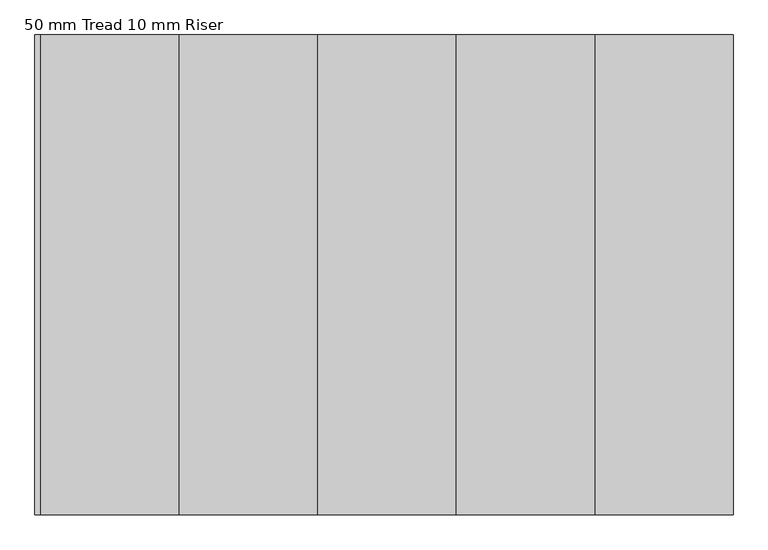
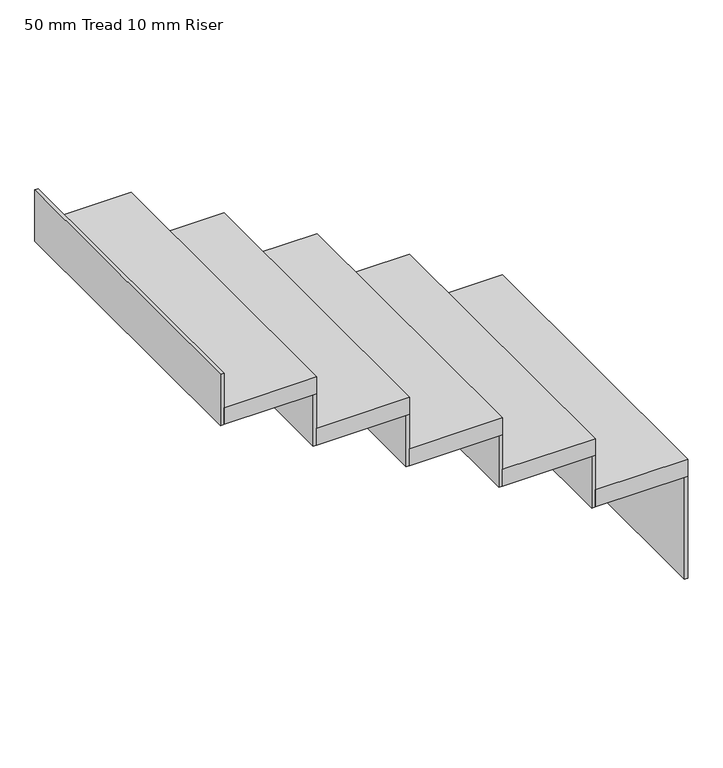
"""IFC4 building model written with IfcOpenShell, lengths in millimetres: stair flight geometry, 50 mm Tread 10 mm Riser."""

from ifc_helpers import new_model, si_unit, frame, origin, place, context, project, spatial, polyline, outline, extrude, source, transform, mapped, element, save


def stair_flight_50_mm_tread_10_mm_riser_7fd12217(model_context):
    return source(origin(), model_context, "Body", "SweptSolid", [
        extrude(outline(polyline([(5195.1809005, -1671.8408405), (5195.1809005, -771.8408405), (5455.1809005, -771.8408405), (5455.1809005, -1671.8408405), (5195.1809005, -1671.8408405)])), frame((0.0, 0.0, 2230.0), z_axis=(0.0, 0.0, 1.0), x_axis=(1.0, 0.0, 0.0)), (0.0, 0.0, 1.0), 50.0),
        extrude(outline(polyline([(5445.1809005, -771.8408405), (5455.1809005, -771.8408405), (5455.1809005, -1671.8408405), (5445.1809005, -1671.8408405), (5445.1809005, -771.8408405)])), frame((0.0, 0.0, 1928.0), z_axis=(0.0, 0.0, 1.0), x_axis=(1.0, 0.0, 0.0)), (0.0, 0.0, 1.0), 302.0),
        extrude(outline(polyline([(4935.1809005, -1671.8408405), (4935.1809005, -771.8408405), (5195.1809005, -771.8408405), (5195.1809005, -1671.8408405), (4935.1809005, -1671.8408405)])), frame((0.0, 0.0, 2382.0), z_axis=(0.0, 0.0, 1.0), x_axis=(1.0, 0.0, 0.0)), (0.0, 0.0, 1.0), 50.0),
        extrude(outline(polyline([(5185.1809005, -771.8408405), (5195.1809005, -771.8408405), (5195.1809005, -1671.8408405), (5185.1809005, -1671.8408405), (5185.1809005, -771.8408405)])), frame((0.0, 0.0, 2230.0), z_axis=(0.0, 0.0, 1.0), x_axis=(1.0, 0.0, 0.0)), (0.0, 0.0, 1.0), 152.0),
        extrude(outline(polyline([(4675.1809005, -1671.8408405), (4675.1809005, -771.8408405), (4935.1809005, -771.8408405), (4935.1809005, -1671.8408405), (4675.1809005, -1671.8408405)])), frame((0.0, 0.0, 2534.0), z_axis=(0.0, 0.0, 1.0), x_axis=(1.0, 0.0, 0.0)), (0.0, 0.0, 1.0), 50.0),
        extrude(outline(polyline([(4925.1809005, -771.8408405), (4935.1809005, -771.8408405), (4935.1809005, -1671.8408405), (4925.1809005, -1671.8408405), (4925.1809005, -771.8408405)])), frame((0.0, 0.0, 2382.0), z_axis=(0.0, 0.0, 1.0), x_axis=(1.0, 0.0, 0.0)), (0.0, 0.0, 1.0), 152.0),
        extrude(outline(polyline([(4415.1809005, -1671.8408405), (4415.1809005, -771.8408405), (4675.1809005, -771.8408405), (4675.1809005, -1671.8408405), (4415.1809005, -1671.8408405)])), frame((0.0, 0.0, 2686.0), z_axis=(0.0, 0.0, 1.0), x_axis=(1.0, 0.0, 0.0)), (0.0, 0.0, 1.0), 50.0),
        extrude(outline(polyline([(4665.1809005, -771.8408405), (4675.1809005, -771.8408405), (4675.1809005, -1671.8408405), (4665.1809005, -1671.8408405), (4665.1809005, -771.8408405)])), frame((0.0, 0.0, 2534.0), z_axis=(0.0, 0.0, 1.0), x_axis=(1.0, 0.0, 0.0)), (0.0, 0.0, 1.0), 152.0),
        extrude(outline(polyline([(4155.1809005, -1671.8408405), (4155.1809005, -771.8408405), (4415.1809005, -771.8408405), (4415.1809005, -1671.8408405), (4155.1809005, -1671.8408405)])), frame((0.0, 0.0, 2838.0), z_axis=(0.0, 0.0, 1.0), x_axis=(1.0, 0.0, 0.0)), (0.0, 0.0, 1.0), 50.0),
        extrude(outline(polyline([(4405.1809005, -771.8408405), (4415.1809005, -771.8408405), (4415.1809005, -1671.8408405), (4405.1809005, -1671.8408405), (4405.1809005, -771.8408405)])), frame((0.0, 0.0, 2686.0), z_axis=(0.0, 0.0, 1.0), x_axis=(1.0, 0.0, 0.0)), (0.0, 0.0, 1.0), 152.0),
        extrude(outline(polyline([(4145.1809005, -771.8408405), (4155.1809005, -771.8408405), (4155.1809005, -1671.8408405), (4145.1809005, -1671.8408405), (4145.1809005, -771.8408405)])), frame((0.0, 0.0, 2838.0), z_axis=(0.0, 0.0, 1.0), x_axis=(1.0, 0.0, 0.0)), (0.0, 0.0, 1.0), 152.0),
    ])


if __name__ == "__main__":
    model = new_model("IFC4")
    model_context = context("Model", 3, world=origin())
    ifc_project = project(units=[si_unit("LENGTHUNIT", "METRE", prefix="MILLI")], contexts=[model_context])
    site = spatial("IfcSite", under=ifc_project)
    building = spatial("IfcBuilding", under=site)
    placement = place(None, origin())
    stair_flight_50_mm_tread_10_mm_riser_shape = stair_flight_50_mm_tread_10_mm_riser_7fd12217(model_context)
    element("IfcStairFlight", 1, ObjectType="50 mm Tread 10 mm Riser", at=placement, inside=building, context=model_context, shape_type="MappedRepresentation", body=[
        mapped(stair_flight_50_mm_tread_10_mm_riser_shape, transform((0.0, 0.0, 0.0), x_axis=(1.0, 0.0, 0.0), y_axis=(0.0, 1.0, 0.0), z_axis=(0.0, 0.0, 1.0))),
    ])
    save(model, "model.ifc")
